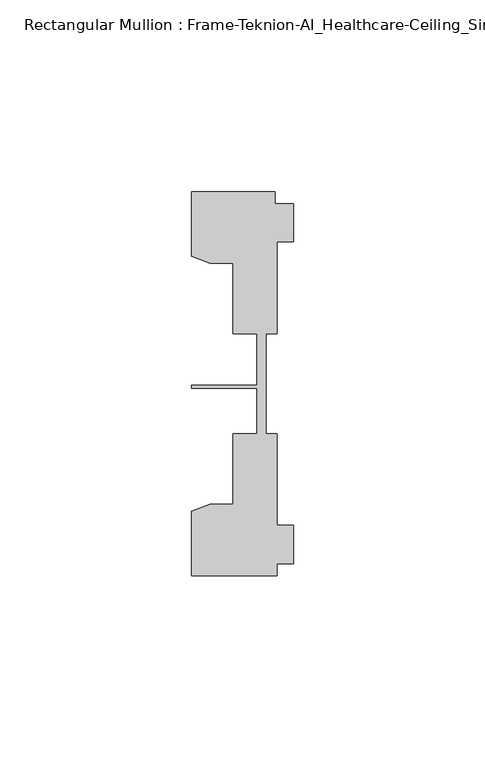
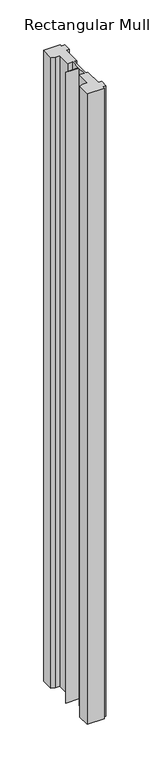
"""IFC4 building model written with IfcOpenShell, lengths in millimetres: member geometry, Rectangular Mullion : Frame-Teknion-AI_Healthcare-Ceiling_Single_Channel."""

from ifc_helpers import new_model, si_unit, frame, origin, place, context, project, spatial, polyline, outline, extrude, source, transform, mapped, element, save


def rectangular_mullion_frame_teknion_ai_healthcare_ceiling_16301ad3(model_context):
    return source(origin(), model_context, "Body", "SweptSolid", [
        extrude(outline(polyline([(-26.4921999, 34.0201677), (-26.4921999, 50.8315128), (-4.7752002, 50.8315128), (-4.7752002, 47.782071), (0.0, 47.782071), (0.0, 37.7820716), (-4.2672007, 37.7820716), (-4.2672007, 13.9110722), (-7.1647766, 13.9110722), (-7.1647766, 0.0814804), (-7.1647766, -12.2509301), (-4.2672007, -12.2509301), (-4.2672007, -36.1219249), (0.0, -36.1219249), (0.0, -46.1219322), (-4.2672007, -46.1219322), (-4.2672007, -49.1699293), (-26.4921999, -49.1699293), (-26.4921999, -32.3600207), (-21.6625199, -30.6279561), (-15.6737764, -30.6279561), (-15.6737764, -12.2509301), (-9.4507761, -12.2509301), (-9.4507761, -0.4036528), (-26.4921999, -0.4036528), (-26.4921999, 0.4036528), (-9.4507761, 0.4036528), (-9.4507761, 13.9110722), (-15.6737764, 13.9110722), (-15.6737764, 32.2880982), (-21.6625199, 32.2880982), (-26.4921999, 34.0201677)])), frame((0.0, 0.0, -882.7691795), z_axis=(0.0, 0.0, 1.0), x_axis=(1.0, 0.0, 0.0)), (0.0, 0.0, 1.0), 882.7691795),
    ])


if __name__ == "__main__":
    model = new_model("IFC4")
    model_context = context("Model", 3, world=origin())
    ifc_project = project(units=[si_unit("LENGTHUNIT", "METRE", prefix="MILLI")], contexts=[model_context])
    site = spatial("IfcSite", under=ifc_project)
    building = spatial("IfcBuilding", under=site)
    placement = place(None, origin())
    rectangular_mullion_frame_teknion_ai_healthcare_ceiling_shape = rectangular_mullion_frame_teknion_ai_healthcare_ceiling_16301ad3(model_context)
    element("IfcMember", 1, ObjectType="Rectangular Mullion : Frame-Teknion-AI_Healthcare-Ceiling_Single_Channel", at=placement, inside=building, context=model_context, shape_type="MappedRepresentation", body=[
        mapped(rectangular_mullion_frame_teknion_ai_healthcare_ceiling_shape, transform((0.0, 0.0, 0.0), x_axis=(1.0, 0.0, 0.0), y_axis=(0.0, 1.0, 0.0), z_axis=(0.0, 0.0, 1.0))),
    ])
    save(model, "model.ifc")
